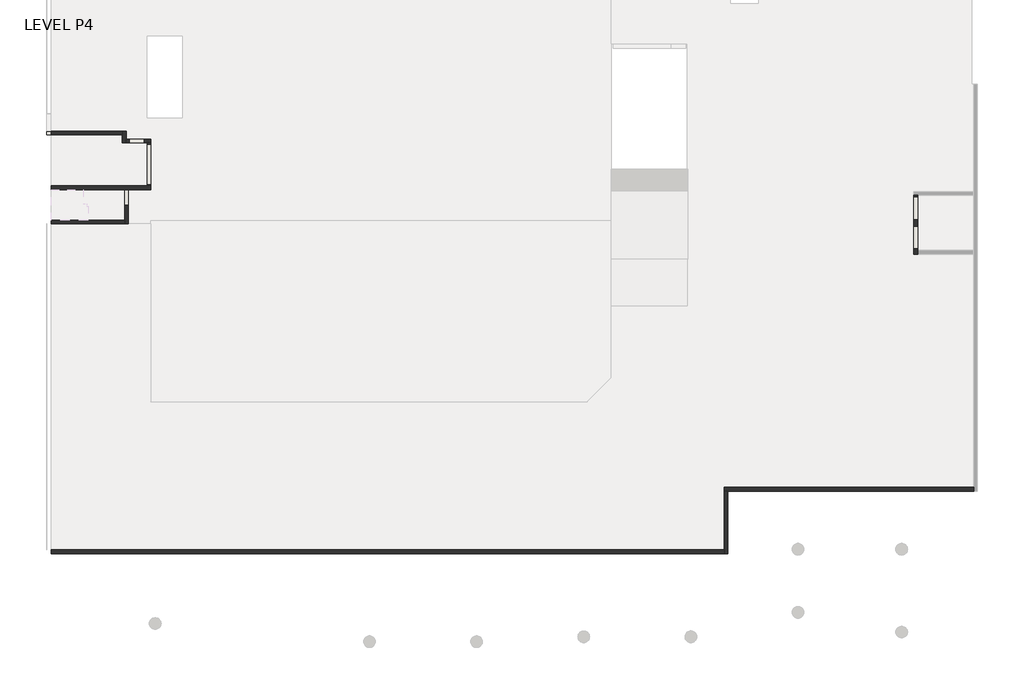
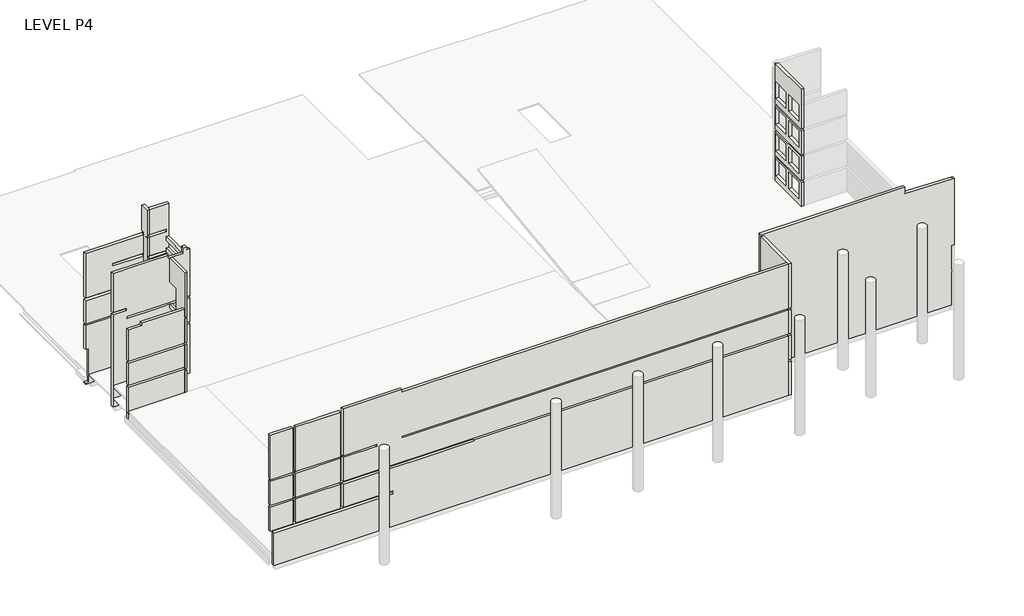
# One storey, part 1 of 4: 11 walls.
"""IFC4 building model written with IfcOpenShell, lengths in millimetres."""

from ifc_helpers import new_model, si_unit, origin, place, context, project, spatial, faceted_brep, element, save

model = new_model("IFC4")

# Units and contexts
model_context = context("Model", 3, world=origin())
ifc_project = project(units=[si_unit("LENGTHUNIT", "METRE", prefix="MILLI")], contexts=[model_context])

# Site, building, storey
site = spatial("IfcSite", under=ifc_project)
building = spatial("IfcBuilding", under=site)
storey = spatial("IfcBuildingStorey", under=building, Name="LEVEL P4", Elevation=-13800.0)

# Walls
placement = place(None, origin())
element("IfcWall", 1, ObjectType="250 WALL", at=placement, inside=storey, context=model_context, shape_type="Brep", body=[
    faceted_brep([(184401.1489175, 183257.2325529, -14750.0), (184401.1489175, 185907.2325529, -14750.0), (184401.1489175, 185907.2325529, -13800.0), (184401.1489175, 184707.2325529, -13800.0), (184401.1489175, 184707.2325529, -11600.0), (184401.1489175, 185907.2325529, -11600.0), (184401.1489175, 185907.2325529, -11200.0), (184401.1489175, 183257.2325529, -11200.0), (184151.1489175, 185907.2325529, -14750.0), (184151.1489175, 183507.2325529, -14750.0), (184151.1489175, 183257.2325529, -14750.0), (184151.1489175, 183257.2325529, -11200.0), (184151.1489175, 185907.2325529, -11200.0), (184151.1489175, 185907.2325529, -11600.0), (184151.1489175, 184707.2325529, -11600.0), (184151.1489175, 184707.2325529, -13800.0), (184151.1489175, 185907.2325529, -13800.0)], [[[0, 1, 2, 3, 4, 5, 6, 7]], [[8, 9, 10, 11, 12, 13, 14, 15, 16]], [[1, 0, 10, 9, 8]], [[1, 8, 16, 2]], [[5, 13, 12, 6]], [[3, 2, 16, 15]], [[4, 3, 15, 14]], [[5, 4, 14, 13]], [[7, 6, 12, 11]], [[10, 0, 7, 11]]]),
    faceted_brep([(184401.1489175, 184707.2325529, -5400.0), (184401.1489175, 184707.2325529, -3200.0), (184401.1489175, 185907.2325529, -3200.0), (184401.1489175, 185907.2325529, -600.0), (184401.1489175, 183507.2325529, -600.0), (184401.1489175, 183257.2325529, -600.0), (184401.1489175, 183257.2325529, -5400.0), (184401.1489175, 183507.2325529, -5400.0), (184151.1489175, 184707.2325529, -3200.0), (184151.1489175, 184707.2325529, -5400.0), (184151.1489175, 183257.2325529, -5400.0), (184151.1489175, 183257.2325529, -4500.0), (184151.1489175, 183257.2325529, -600.0), (184151.1489175, 185907.2325529, -600.0), (184151.1489175, 185907.2325529, -3200.0)], [[[0, 1, 2, 3, 4, 5, 6, 7]], [[8, 9, 10, 11, 12, 13, 14]], [[2, 14, 13, 3]], [[1, 0, 9, 8]], [[2, 1, 8, 14]], [[0, 7, 6, 10, 9]], [[5, 4, 3, 13, 12]], [[10, 6, 5, 12, 11]]]),
    faceted_brep([(184401.1489175, 184707.2325529, -8200.0), (184401.1489175, 184707.2325529, -6000.0), (184401.1489175, 185907.2325529, -6000.0), (184401.1489175, 185907.2325529, -5600.0), (184401.1489175, 183257.2325529, -5600.0), (184401.1489175, 183257.2325529, -8200.0), (184151.1489175, 184707.2325529, -6000.0), (184151.1489175, 184707.2325529, -8200.0), (184151.1489175, 183507.2325529, -8200.0), (184151.1489175, 183257.2325529, -8200.0), (184151.1489175, 183257.2325529, -5600.0), (184151.1489175, 185907.2325529, -5600.0), (184151.1489175, 185907.2325529, -6000.0)], [[[0, 1, 2, 3, 4, 5]], [[6, 7, 8, 9, 10, 11, 12]], [[2, 12, 11, 3]], [[1, 0, 7, 6]], [[2, 1, 6, 12]], [[0, 5, 9, 8, 7]], [[4, 3, 11, 10]], [[5, 4, 10, 9]]]),
    faceted_brep([(184401.1489175, 184707.2325529, -11000.0), (184401.1489175, 184707.2325529, -8800.0), (184401.1489175, 185907.2325529, -8800.0), (184401.1489175, 185907.2325529, -8400.0), (184401.1489175, 183257.2325529, -8400.0), (184401.1489175, 183257.2325529, -11000.0), (184151.1489175, 184707.2325529, -8800.0), (184151.1489175, 184707.2325529, -11000.0), (184151.1489175, 183257.2325529, -11000.0), (184151.1489175, 183257.2325529, -10800.0), (184151.1489175, 183257.2325529, -8400.0), (184151.1489175, 183507.2325529, -8400.0), (184151.1489175, 185907.2325529, -8400.0), (184151.1489175, 185907.2325529, -8800.0)], [[[0, 1, 2, 3, 4, 5]], [[6, 7, 8, 9, 10, 11, 12, 13]], [[2, 13, 12, 3]], [[1, 0, 7, 6]], [[2, 1, 6, 13]], [[0, 5, 8, 7]], [[4, 3, 12, 11, 10]], [[5, 4, 10, 9, 8]]]),
])
element("IfcWall", 2, ObjectType="250 WALL", at=placement, inside=storey, context=model_context, shape_type="Brep", body=[
    faceted_brep([(178361.1491693, 183257.2325529, -14750.0), (184151.1489175, 183257.2325529, -14750.0), (184151.1489175, 183257.2325529, -11200.0), (184151.1489175, 183257.2325529, -11000.0), (178361.1491693, 183257.2325529, -11000.0), (184151.1489175, 183507.2325529, -14750.0), (178361.1491693, 183507.2325529, -14750.0), (178361.1491693, 183507.2325529, -11000.0), (184151.1489175, 183507.2325529, -11000.0)], [[[0, 1, 2, 3, 4]], [[5, 6, 7, 8]], [[1, 0, 6, 5]], [[1, 5, 8, 3, 2]], [[6, 0, 4, 7]], [[4, 3, 8, 7]]]),
    faceted_brep([(184151.1489175, 183257.2325529, -8400.0), (178361.1491693, 183257.2325529, -8400.0), (178361.1491693, 183257.2325529, -10800.0), (184151.1489175, 183257.2325529, -10800.0), (178361.1491693, 183507.2325529, -8400.0), (182946.3204833, 183507.2325529, -8400.0), (184151.1489175, 183507.2325529, -8400.0), (184151.1489175, 183507.2325529, -10800.0), (178361.1491693, 183507.2325529, -10800.0)], [[[0, 1, 2, 3]], [[4, 5, 6, 7, 8]], [[6, 0, 3, 7]], [[1, 4, 8, 2]], [[1, 0, 6, 5, 4]], [[3, 2, 8, 7]]]),
    faceted_brep([(184151.1489175, 183257.2325529, -8200.0), (184151.1489175, 183257.2325529, -5600.0), (184151.1489175, 183257.2325529, -5400.0), (184151.1489175, 183257.2325529, -4500.0), (183084.3204833, 183257.2325529, -4500.0), (179761.3204833, 183257.2325529, -4500.0), (179761.3204833, 183257.2325529, -4775.0), (178361.1491693, 183257.2325529, -4775.0), (178361.1491693, 183257.2325529, -8200.0), (184151.1489175, 183507.2325529, -4500.0), (184151.1489175, 183507.2325529, -8200.0), (182946.3204833, 183507.2325529, -8200.0), (178361.1491693, 183507.2325529, -8200.0), (178361.1491693, 183507.2325529, -4775.0), (179461.3204833, 183507.2325529, -4775.0), (179761.3204833, 183507.2325529, -4775.0), (179761.3204833, 183507.2325529, -4500.0)], [[[0, 1, 2, 3, 4, 5, 6, 7, 8]], [[9, 10, 11, 12, 13, 14, 15, 16]], [[3, 9, 16, 5, 4]], [[9, 3, 2, 1, 0, 10]], [[12, 8, 7, 13]], [[0, 8, 12, 11, 10]], [[6, 15, 14, 13, 7]], [[15, 6, 5, 16]]]),
])
element("IfcWall", 3, ObjectType="300 WALL", at=placement, inside=storey, context=model_context, shape_type="Brep", body=[
    faceted_brep([(246311.1491692, 180863.2322067, -14750.0), (246311.1491692, 181163.2322067, -14750.0), (246311.1491692, 185463.2318341, -14750.0), (246311.1491692, 185463.2318341, -11000.0), (246311.1491692, 181163.2322067, -11000.0), (246311.1491692, 180863.2322067, -11000.0), (246311.1491692, 185363.2318341, -11200.0), (246311.1491692, 185363.2318341, -12974.2336805), (246311.1491692, 183563.2318341, -12974.2336805), (246311.1491692, 183563.2318341, -11200.0), (246311.1491692, 183063.2322067, -11200.0), (246311.1491692, 183063.2322067, -12974.2336805), (246311.1491692, 181263.2322067, -12974.2336805), (246311.1491692, 181263.2322067, -11200.0), (246011.1491692, 185463.2318341, -14750.0), (246011.1491692, 180863.2322067, -14750.0), (246011.1491692, 180863.2322067, -11000.0), (246011.1491692, 185463.2318341, -11000.0), (246011.1491692, 185363.2318341, -12974.2336805), (246011.1491692, 185363.2318341, -11200.0), (246011.1491692, 183563.2318341, -11200.0), (246011.1491692, 183563.2318341, -12974.2336805), (246011.1491692, 183063.2322067, -12974.2336805), (246011.1491692, 183063.2322067, -11200.0), (246011.1491692, 181263.2322067, -11200.0), (246011.1491692, 181263.2322067, -12974.2336805)], [[[0, 1, 2, 3, 4, 5], [6, 7, 8, 9], [10, 11, 12, 13]], [[14, 15, 16, 17], [18, 19, 20, 21], [22, 23, 24, 25]], [[2, 1, 0, 15, 14]], [[2, 14, 17, 3]], [[15, 0, 5, 16]], [[7, 6, 19, 18]], [[8, 7, 18, 21]], [[9, 8, 21, 20]], [[6, 9, 20, 19]], [[11, 10, 23, 22]], [[12, 11, 22, 25]], [[13, 12, 25, 24]], [[10, 13, 24, 23]], [[4, 3, 17, 16, 5]]]),
    faceted_brep([(246311.1491692, 185463.2318341, -861.7003473), (246311.1491692, 180863.2322067, -861.7003473), (246311.1491692, 180863.2322067, -900.0), (246311.1491692, 180863.2322067, -2643.5714289), (246311.1491692, 180863.2322067, -5200.0), (246311.1491692, 181163.2322067, -5200.0), (246311.1491692, 185463.2318341, -5200.0), (246311.1491692, 183058.4322067, -2804.8), (246311.1491692, 183058.4322067, -4579.0336805), (246311.1491692, 181258.4322067, -4579.0336805), (246311.1491692, 181258.4322067, -2804.8), (246311.1491692, 185358.4318341, -2804.8), (246311.1491692, 185358.4318341, -4579.0336805), (246311.1491692, 183558.4318341, -4579.0336805), (246311.1491692, 183558.4318341, -2804.8), (246011.1491692, 180863.2322067, -852.8657922), (246011.1491692, 185238.2314614, -852.8657922), (246011.1491692, 185463.2318341, -852.8657922), (246011.1491692, 185463.2318341, -5200.0), (246011.1491692, 180863.2322067, -5200.0), (246011.1491692, 180863.2322067, -900.0), (246011.1491692, 183058.4322067, -4579.0336805), (246011.1491692, 183058.4322067, -2804.8), (246011.1491692, 181258.4322067, -2804.8), (246011.1491692, 181258.4322067, -4579.0336805), (246011.1491692, 185358.4318341, -4579.0336805), (246011.1491692, 185358.4318341, -2804.8), (246011.1491692, 183558.4318341, -2804.8), (246011.1491692, 183558.4318341, -4579.0336805)], [[[0, 1, 2, 3, 4, 5, 6], [7, 8, 9, 10], [11, 12, 13, 14]], [[15, 16, 17, 18, 19, 20], [21, 22, 23, 24], [25, 26, 27, 28]], [[17, 0, 6, 18]], [[1, 15, 20, 19, 4, 3, 2]], [[7, 22, 21, 8]], [[24, 9, 8, 21]], [[23, 10, 9, 24]], [[22, 7, 10, 23]], [[25, 12, 11, 26]], [[12, 25, 28, 13]], [[27, 14, 13, 28]], [[26, 11, 14, 27]], [[1, 0, 17, 16, 15]], [[5, 4, 19, 18, 6]]]),
    faceted_brep([(246311.1491692, 185463.2318341, -8200.0), (246311.1491692, 181163.2322067, -8200.0), (246311.1491692, 180863.2322067, -8200.0), (246311.1491692, 180863.2322067, -10800.0), (246311.1491692, 181163.2322067, -10800.0), (246311.1491692, 185463.2318341, -10800.0), (246311.1491692, 183063.2322067, -8473.1304348), (246311.1491692, 183063.2322067, -10247.3641153), (246311.1491692, 181263.2322067, -10247.3641153), (246311.1491692, 181263.2322067, -8473.1304348), (246311.1491692, 185363.2318341, -8473.1304348), (246311.1491692, 185363.2318341, -10247.3641153), (246311.1491692, 183563.2318341, -10247.3641153), (246311.1491692, 183563.2318341, -8473.1304348), (246011.1491692, 180863.2322067, -8200.0), (246011.1491692, 185463.2318341, -8200.0), (246011.1491692, 185463.2318341, -10800.0), (246011.1491692, 180863.2322067, -10800.0), (246011.1491692, 183063.2322067, -10247.3641153), (246011.1491692, 183063.2322067, -8473.1304348), (246011.1491692, 181263.2322067, -8473.1304348), (246011.1491692, 181263.2322067, -10247.3641153), (246011.1491692, 185363.2318341, -10247.3641153), (246011.1491692, 185363.2318341, -8473.1304348), (246011.1491692, 183563.2318341, -8473.1304348), (246011.1491692, 183563.2318341, -10247.3641153)], [[[0, 1, 2, 3, 4, 5], [6, 7, 8, 9], [10, 11, 12, 13]], [[14, 15, 16, 17], [18, 19, 20, 21], [22, 23, 24, 25]], [[15, 0, 5, 16]], [[2, 14, 17, 3]], [[7, 6, 19, 18]], [[8, 7, 18, 21]], [[9, 8, 21, 20]], [[6, 9, 20, 19]], [[11, 10, 23, 22]], [[12, 11, 22, 25]], [[13, 12, 25, 24]], [[10, 13, 24, 23]], [[1, 0, 15, 14, 2]], [[5, 4, 3, 17, 16]]]),
    faceted_brep([(246311.1491692, 181163.2322067, -8000.0), (246311.1491692, 185463.2318341, -8000.0), (246311.1491692, 185463.2318341, -5400.0), (246311.1491692, 181163.2322067, -5400.0), (246311.1491692, 180863.2322067, -5400.0), (246311.1491692, 180863.2322067, -8000.0), (246311.1491692, 183063.2322067, -5600.0), (246311.1491692, 183063.2322067, -7374.2336805), (246311.1491692, 181263.2322067, -7374.2336805), (246311.1491692, 181263.2322067, -5600.0), (246311.1491692, 185363.2318341, -5600.0), (246311.1491692, 185363.2318341, -7374.2336805), (246311.1491692, 183563.2318341, -7374.2336805), (246311.1491692, 183563.2318341, -5600.0), (246011.1491692, 185463.2318341, -8000.0), (246011.1491692, 180863.2322067, -8000.0), (246011.1491692, 180863.2322067, -5400.0), (246011.1491692, 185463.2318341, -5400.0), (246011.1491692, 183063.2322067, -7374.2336805), (246011.1491692, 183063.2322067, -5600.0), (246011.1491692, 181263.2322067, -5600.0), (246011.1491692, 181263.2322067, -7374.2336805), (246011.1491692, 185363.2318341, -7374.2336805), (246011.1491692, 185363.2318341, -5600.0), (246011.1491692, 183563.2318341, -5600.0), (246011.1491692, 183563.2318341, -7374.2336805)], [[[0, 1, 2, 3, 4, 5], [6, 7, 8, 9], [10, 11, 12, 13]], [[14, 15, 16, 17], [18, 19, 20, 21], [22, 23, 24, 25]], [[1, 14, 17, 2]], [[15, 5, 4, 16]], [[7, 6, 19, 18]], [[8, 7, 18, 21]], [[9, 8, 21, 20]], [[6, 9, 20, 19]], [[11, 10, 23, 22]], [[12, 11, 22, 25]], [[13, 12, 25, 24]], [[10, 13, 24, 23]], [[1, 0, 5, 15, 14]], [[4, 3, 2, 17, 16]]]),
])
element("IfcWall", 4, ObjectType="300 WALL", at=placement, inside=storey, context=model_context, shape_type="Brep", body=[
    faceted_brep([(178011.1491693, 190207.2325529, -14750.0), (183956.1489175, 190207.2325529, -14750.0), (183956.1489175, 190207.2325529, -8400.0), (178011.1491693, 190207.2325529, -8400.0), (178011.1491693, 190207.2325529, -11000.0), (178361.1491693, 190207.2325529, -11000.0), (178361.1491693, 190207.2325529, -14650.0), (178011.1491693, 190207.2325529, -14650.0), (183956.1489175, 190507.2325529, -14750.0), (178011.1491693, 190507.2325529, -14750.0), (178011.1491693, 190507.2325529, -14650.0), (178361.1491693, 190507.2325529, -14650.0), (178361.1491693, 190507.2325529, -11000.0), (178011.1491693, 190507.2325529, -11000.0), (178011.1491693, 190507.2325529, -8400.0), (183956.1489175, 190507.2325529, -8400.0)], [[[0, 1, 2, 3, 4, 5, 6, 7]], [[8, 9, 10, 11, 12, 13, 14, 15]], [[1, 0, 9, 8]], [[9, 0, 7, 10]], [[13, 4, 3, 14]], [[5, 12, 11, 6]], [[1, 8, 15, 2]], [[12, 5, 4, 13]], [[6, 11, 10, 7]], [[3, 2, 15, 14]]]),
    faceted_brep([(178011.1491693, 190207.2325529, -5400.0), (183956.1489175, 190207.2325529, -5400.0), (183956.1489175, 190207.2325529, -2900.0), (180770.5317503, 190207.2325529, -2900.0), (180770.5317503, 190207.2325529, -2600.0), (183956.1489175, 190207.2325529, -2600.0), (183956.1489175, 190207.2325529, -560.0), (178011.1491693, 190207.2325529, -560.0), (183956.1489175, 190507.2325529, -5400.0), (181070.5317503, 190507.2325529, -5400.0), (180770.5317503, 190507.2325529, -5400.0), (178011.1491693, 190507.2325529, -5400.0), (178011.1491693, 190507.2325529, -560.0), (180770.5317503, 190507.2325529, -560.0), (181070.5317503, 190507.2325529, -560.0), (183956.1489175, 190507.2325529, -560.0), (183956.1489175, 190507.2325529, -2600.0), (181070.5317503, 190507.2325529, -2600.0), (180770.5317503, 190507.2325529, -2600.0), (180770.5317503, 190507.2325529, -2900.0), (181070.5317503, 190507.2325529, -2900.0), (183956.1489175, 190507.2325529, -2900.0)], [[[0, 1, 2, 3, 4, 5, 6, 7]], [[8, 9, 10, 11, 12, 13, 14, 15, 16, 17, 18, 19, 20, 21]], [[11, 0, 7, 12]], [[1, 8, 21, 2]], [[5, 16, 15, 6]], [[1, 0, 11, 10, 9, 8]], [[19, 3, 2, 21, 20]], [[4, 18, 17, 16, 5]], [[3, 19, 18, 4]], [[7, 6, 15, 14, 13, 12]]]),
    faceted_brep([(183956.1489175, 190207.2325529, -5700.0), (178011.1491693, 190207.2325529, -5700.0), (178011.1491693, 190207.2325529, -8200.0), (183956.1489175, 190207.2325529, -8200.0), (178011.1491693, 190507.2325529, -5700.0), (183956.1489175, 190507.2325529, -5700.0), (183956.1489175, 190507.2325529, -8200.0), (178011.1491693, 190507.2325529, -8200.0)], [[[0, 1, 2, 3]], [[4, 5, 6, 7]], [[1, 4, 7, 2]], [[5, 0, 3, 6]], [[1, 0, 5, 4]], [[3, 2, 7, 6]]]),
])
element("IfcWall", 5, ObjectType="300 WALL", at=placement, inside=storey, context=model_context, shape_type="Brep", body=[
    faceted_brep([(231136.3204833, 162263.2318341, -14650.0), (231436.3204833, 162263.2318341, -14650.0), (250561.1491692, 162263.2318341, -14650.0), (250711.1491692, 162263.2318341, -14650.0), (250711.1491692, 162263.2318341, -11000.0), (250711.1491692, 162263.2318341, -10800.0), (250711.1491692, 162263.2318341, -8200.0), (251011.1491692, 162263.2318341, -8200.0), (251011.1491692, 162263.2318341, -1000.1083784), (250861.1491692, 162263.2318341, -995.6911008), (245919.514106, 162263.2318341, -863.5386081), (245919.514106, 162263.2318341, -850.1672754), (245919.514106, 162263.2318341, -600.058897), (245919.514106, 162263.2318341, -200.0), (231136.3204833, 162263.2318341, -200.0), (231136.3204833, 162263.2318341, -380.0), (231136.3204833, 162263.2318341, -5200.0), (231136.3204833, 162263.2318341, -5400.0), (231136.3204833, 162263.2318341, -8000.0), (231136.3204833, 162263.2318341, -8200.0), (231136.3204833, 162263.2318341, -10800.0), (231136.3204833, 162263.2318341, -11000.0), (250711.1491692, 162563.2318341, -14650.0), (250561.1491692, 162563.2318341, -14650.0), (231136.3204833, 162563.2318341, -14650.0), (231136.3204833, 162563.2318341, -1230.0), (231136.3204833, 162563.2318341, -380.0), (231136.3204833, 162563.2318341, -200.0), (245919.514106, 162563.2318341, -200.0), (245919.514106, 162563.2318341, -380.0), (245919.514106, 162563.2318341, -600.058897), (245919.514106, 162563.2318341, -850.0), (245919.514106, 162563.2318341, -850.1672754), (245919.514106, 162563.2318341, -863.5386081), (250861.1491692, 162563.2318341, -995.6911008), (251011.1491692, 162563.2318341, -1000.1083784), (251011.1491692, 162563.2318341, -5200.0), (251011.1491692, 162563.2318341, -5400.0), (251011.1491692, 162563.2318341, -8000.0), (251011.1491692, 162563.2318341, -8200.0), (250711.1491692, 162563.2318341, -8200.0)], [[[0, 1, 2, 3, 4, 5, 6, 7, 8, 9, 10, 11, 12, 13, 14, 15, 16, 17, 18, 19, 20, 21]], [[22, 23, 24, 25, 26, 27, 28, 29, 30, 31, 32, 33, 34, 35, 36, 37, 38, 39, 40]], [[0, 21, 20, 19, 18, 17, 16, 15, 14, 27, 26, 25, 24]], [[6, 5, 4, 3, 22, 40]], [[7, 39, 38, 37, 36, 35, 8]], [[9, 8, 35, 34]], [[3, 2, 1, 0, 24, 23, 22]], [[14, 13, 28, 27]], [[33, 10, 9, 34]], [[7, 6, 40, 39]], [[10, 33, 32, 31, 30, 29, 28, 13, 12, 11]]]),
])
element("IfcWall", 6, ObjectType="300 WALL", at=placement, inside=storey, context=model_context, shape_type="Brep", body=[
    faceted_brep([(183956.1489175, 190507.2325529, -14750.0), (183956.1489175, 190207.2325529, -14750.0), (183956.1489175, 189578.8314181, -14750.0), (183956.1489175, 189578.8314181, 2420.0), (183956.1489175, 190507.2325529, 2420.0), (183956.1489175, 190507.2325529, -310.0), (183956.1489175, 190207.2325529, -310.0), (183956.1489175, 190207.2325529, -560.0), (183956.1489175, 190507.2325529, -560.0), (183956.1489175, 190507.2325529, -2600.0), (183956.1489175, 190207.2325529, -2600.0), (183956.1489175, 190207.2325529, -2900.0), (183956.1489175, 190507.2325529, -2900.0), (183956.1489175, 190507.2325529, -5400.0), (183956.1489175, 190207.2325529, -5400.0), (183956.1489175, 190207.2325529, -5700.0), (183956.1489175, 190507.2325529, -5700.0), (183956.1489175, 190507.2325529, -8200.0), (183956.1489175, 190207.2325529, -8200.0), (183956.1489175, 190207.2325529, -8400.0), (183956.1489175, 190507.2325529, -8400.0), (184256.1489175, 190507.2325529, 2420.0), (184256.1489175, 189878.8314181, 2420.0), (184256.1489175, 189578.8314181, 2420.0), (184256.1489175, 189578.8314181, -310.0), (184256.1489175, 189878.8314181, -310.0), (184256.1489175, 190507.2325529, -310.0), (184256.1489175, 189578.8314181, -14750.0), (184256.1489175, 189878.8314181, -14750.0), (184256.1489175, 190507.2325529, -14750.0), (184256.1489175, 190507.2325529, -8400.0), (184256.1489175, 189878.8314181, -8400.0), (184256.1489175, 189578.8314181, -8400.0), (184256.1489175, 190507.2325529, -2900.0), (184256.1489175, 189878.8314181, -2900.0), (184256.1489175, 189578.8314181, -2900.0), (184256.1489175, 189578.8314181, -5400.0), (184256.1489175, 189878.8314181, -5400.0), (184256.1489175, 190507.2325529, -5400.0), (184256.1489175, 189578.8314181, -2600.0), (184256.1489175, 189878.8314181, -2600.0), (184256.1489175, 190507.2325529, -2600.0), (184256.1489175, 190507.2325529, -560.0), (184256.1489175, 189878.8314181, -560.0), (184256.1489175, 189578.8314181, -560.0), (184256.1489175, 190507.2325529, -5700.0), (184256.1489175, 189878.8314181, -5700.0), (184256.1489175, 189578.8314181, -5700.0), (184256.1489175, 189578.8314181, -8200.0), (184256.1489175, 189878.8314181, -8200.0), (184256.1489175, 190507.2325529, -8200.0), (183961.3204833, 189578.8314181, -8400.0), (183961.3204833, 189578.8314181, -8200.0), (183961.3204833, 189578.8314181, -5700.0), (183961.3204833, 189578.8314181, -5400.0), (183961.3204833, 189578.8314181, -2900.0), (183961.3204833, 189578.8314181, -2600.0), (183961.3204833, 189578.8314181, -560.0), (183961.3204833, 189578.8314181, -310.0), (183961.3204833, 190207.2325529, -2900.0), (183961.3204833, 190207.2325529, -2600.0), (183961.3204833, 190207.2325529, -560.0), (183961.3204833, 190207.2325529, -310.0), (183961.3204833, 190207.2325529, -5700.0), (183961.3204833, 190207.2325529, -5400.0), (183961.3204833, 190207.2325529, -8400.0), (183961.3204833, 190207.2325529, -8200.0)], [[[0, 1, 2, 3, 4, 5, 6, 7, 8, 9, 10, 11, 12, 13, 14, 15, 16, 17, 18, 19, 20]], [[21, 22, 23, 24, 25, 26]], [[27, 28, 29, 30, 31, 32]], [[33, 34, 35, 36, 37, 38]], [[39, 40, 41, 42, 43, 44]], [[45, 46, 47, 48, 49, 50]], [[2, 1, 0, 29, 28, 27]], [[4, 3, 23, 22, 21]], [[3, 2, 27, 32, 51, 52, 48, 47, 53, 54, 36, 35, 55, 56, 39, 44, 57, 58, 24, 23]], [[4, 21, 26, 5]], [[29, 0, 20, 30]], [[12, 33, 38, 13]], [[41, 9, 8, 42]], [[16, 45, 50, 17]], [[59, 55, 35, 34, 33, 12, 11]], [[56, 60, 10, 9, 41, 40, 39]], [[60, 59, 11, 10]], [[55, 59, 60, 56]], [[61, 57, 44, 43, 42, 8, 7]], [[58, 62, 6, 5, 26, 25, 24]], [[62, 61, 7, 6]], [[57, 61, 62, 58]], [[63, 53, 47, 46, 45, 16, 15]], [[54, 64, 14, 13, 38, 37, 36]], [[64, 63, 15, 14]], [[53, 63, 64, 54]], [[65, 51, 32, 31, 30, 20, 19]], [[52, 66, 18, 17, 50, 49, 48]], [[66, 65, 19, 18]], [[51, 65, 66, 52]]]),
])
element("IfcWall", 7, ObjectType="300 WALL", at=placement, inside=storey, context=model_context, shape_type="Brep", body=[
    faceted_brep([(184256.1489175, 189578.8314181, -14750.0), (185901.1489175, 189578.8314181, -14750.0), (186201.1489175, 189578.8314181, -14750.0), (186201.1489175, 189578.8314181, -8400.0), (185901.1489175, 189578.8314181, -8400.0), (184256.1489175, 189578.8314181, -8400.0), (185678.6489175, 189578.8314181, -11600.0), (185678.6489175, 189578.8314181, -13800.0), (184478.6489175, 189578.8314181, -13800.0), (184478.6489175, 189578.8314181, -11600.0), (186201.1489175, 189878.8314181, -14750.0), (184256.1489175, 189878.8314181, -14750.0), (184256.1489175, 189878.8314181, -8400.0), (186201.1489175, 189878.8314181, -8400.0), (185678.6489175, 189878.8314181, -13800.0), (185678.6489175, 189878.8314181, -11600.0), (184478.6489175, 189878.8314181, -11600.0), (184478.6489175, 189878.8314181, -13800.0)], [[[0, 1, 2, 3, 4, 5], [6, 7, 8, 9]], [[10, 11, 12, 13], [14, 15, 16, 17]], [[2, 1, 0, 11, 10]], [[11, 0, 5, 12]], [[4, 3, 13, 12, 5]], [[7, 6, 15, 14]], [[8, 7, 14, 17]], [[9, 8, 17, 16]], [[6, 9, 16, 15]], [[2, 10, 13, 3]]]),
    faceted_brep([(186201.1489175, 189578.8314181, 2420.0), (185901.1489175, 189578.8314181, 2420.0), (184256.1489175, 189578.8314181, 2420.0), (184256.1489175, 189578.8314181, -310.0), (185901.1489175, 189578.8314181, -310.0), (185901.1489175, 189578.8314181, -560.0), (184256.1489175, 189578.8314181, -560.0), (184256.1489175, 189578.8314181, -2600.0), (185901.1489175, 189578.8314181, -2600.0), (186201.1489175, 189578.8314181, -2600.0), (186201.1489175, 189578.8314181, -260.0), (184256.1489175, 189878.8314181, 2420.0), (186201.1489175, 189878.8314181, 2420.0), (186201.1489175, 189878.8314181, -1110.0), (186201.1489175, 189878.8314181, -1550.0), (186201.1489175, 189878.8314181, -2350.0), (186201.1489175, 189878.8314181, -2600.0), (185901.1489175, 189878.8314181, -2600.0), (184256.1489175, 189878.8314181, -2600.0), (184256.1489175, 189878.8314181, -560.0), (185901.1489175, 189878.8314181, -560.0), (185901.1489175, 189878.8314181, -310.0), (184256.1489175, 189878.8314181, -310.0)], [[[0, 1, 2, 3, 4, 5, 6, 7, 8, 9, 10]], [[11, 12, 13, 14, 15, 16, 17, 18, 19, 20, 21, 22]], [[2, 1, 0, 12, 11]], [[2, 11, 22, 3]], [[6, 19, 18, 7]], [[5, 20, 19, 6]], [[21, 4, 3, 22]], [[20, 5, 4, 21]], [[8, 7, 18, 17, 16, 9]], [[12, 0, 10, 9, 16, 15, 14, 13]]]),
    faceted_brep([(185901.1489175, 189578.8314181, -8200.0), (186201.1489175, 189578.8314181, -8200.0), (186201.1489175, 189578.8314181, -5700.0), (185901.1489175, 189578.8314181, -5700.0), (184256.1489175, 189578.8314181, -5700.0), (184256.1489175, 189578.8314181, -8200.0), (186201.1489175, 189878.8314181, -8200.0), (184256.1489175, 189878.8314181, -8200.0), (184256.1489175, 189878.8314181, -5700.0), (186201.1489175, 189878.8314181, -5700.0)], [[[0, 1, 2, 3, 4, 5]], [[6, 7, 8, 9]], [[7, 5, 4, 8]], [[1, 0, 5, 7, 6]], [[4, 3, 2, 9, 8]], [[1, 6, 9, 2]]]),
    faceted_brep([(184256.1489175, 189578.8314181, -5400.0), (185901.1489175, 189578.8314181, -5400.0), (186201.1489175, 189578.8314181, -5400.0), (186201.1489175, 189578.8314181, -2900.0), (185901.1489175, 189578.8314181, -2900.0), (184256.1489175, 189578.8314181, -2900.0), (186201.1489175, 189878.8314181, -5400.0), (184256.1489175, 189878.8314181, -5400.0), (184256.1489175, 189878.8314181, -2900.0), (186201.1489175, 189878.8314181, -2900.0)], [[[0, 1, 2, 3, 4, 5]], [[6, 7, 8, 9]], [[7, 0, 5, 8]], [[1, 0, 7, 6, 2]], [[5, 4, 3, 9, 8]], [[2, 6, 9, 3]]]),
])
element("IfcWall", 8, ObjectType="300 WALL", at=placement, inside=storey, context=model_context, shape_type="Brep", body=[
    faceted_brep([(186201.1489175, 186207.2325529, -14750.0), (185901.1489175, 186207.2325529, -14750.0), (178361.1491693, 186207.2325529, -14750.0), (178361.1491693, 186207.2325529, -4775.0), (179761.3204833, 186207.2325529, -4775.0), (179761.3204833, 186207.2325529, -4500.0), (178361.1491693, 186207.2325529, -4500.0), (178361.1491693, 186207.2325529, -250.0), (183956.1489175, 186207.2325529, -250.0), (183956.1489175, 186207.2325529, -600.0), (185576.1489175, 186207.2325529, -600.0), (185576.1489175, 186207.2325529, 0.0), (185901.1489175, 186207.2325529, 0.0), (185901.1489175, 186207.2325529, -1110.0), (186201.1489175, 186207.2325529, -1110.0), (186201.1489175, 186207.2325529, -1550.0), (185901.1489175, 186207.2325529, -1550.0), (185901.1489175, 186207.2325529, -2350.0), (186201.1489175, 186207.2325529, -2350.0), (186201.1489175, 186207.2325529, -5400.0), (185901.1489175, 186207.2325529, -5400.0), (179761.3204833, 186207.2325529, -5400.0), (179761.3204833, 186207.2325529, -5600.0), (185901.1489175, 186207.2325529, -5600.0), (186201.1489175, 186207.2325529, -5600.0), (186201.1489175, 186207.2325529, -8200.0), (185901.1489175, 186207.2325529, -8200.0), (182771.1489175, 186207.2325529, -8200.0), (182771.1489175, 186207.2325529, -8400.0), (185901.1489175, 186207.2325529, -8400.0), (186201.1489175, 186207.2325529, -8400.0), (178361.1491693, 185907.2325529, -14750.0), (184151.1489175, 185907.2325529, -14750.0), (184401.1489175, 185907.2325529, -14750.0), (186201.1489175, 185907.2325529, -14750.0), (186201.1489175, 185907.2325529, -8400.0), (184401.1489175, 185907.2325529, -8400.0), (184151.1489175, 185907.2325529, -8400.0), (182771.1489175, 185907.2325529, -8400.0), (182771.1489175, 185907.2325529, -8200.0), (186201.1489175, 185907.2325529, -8200.0), (186201.1489175, 185907.2325529, -5600.0), (184401.1489175, 185907.2325529, -5600.0), (184151.1489175, 185907.2325529, -5600.0), (182566.3204833, 185907.2325529, -5600.0), (179761.3204833, 185907.2325529, -5600.0), (179761.3204833, 185907.2325529, -5400.0), (182566.3204833, 185907.2325529, -5400.0), (186201.1489175, 185907.2325529, -5400.0), (186201.1489175, 185907.2325529, -260.0), (185901.1489175, 185907.2325529, -260.0), (185901.1489175, 185907.2325529, 0.0), (185576.1489175, 185907.2325529, 0.0), (185576.1489175, 185907.2325529, -600.0), (184401.1489175, 185907.2325529, -600.0), (184151.1489175, 185907.2325529, -600.0), (183956.1489175, 185907.2325529, -600.0), (183956.1489175, 185907.2325529, -250.0), (182391.3204833, 185907.2325529, -250.0), (179761.3204833, 185907.2325529, -250.0), (178361.1491693, 185907.2325529, -250.0), (178361.1491693, 185907.2325529, -4500.0), (179461.3204833, 185907.2325529, -4500.0), (179761.3204833, 185907.2325529, -4500.0), (179761.3204833, 185907.2325529, -4775.0), (179461.3204833, 185907.2325529, -4775.0), (178361.1491693, 185907.2325529, -4775.0), (185901.1489175, 186063.2322067, -2350.0), (186201.1489175, 186063.2322067, -2350.0), (185901.1489175, 186063.2322067, -1550.0), (186201.1489175, 186063.2322067, -1550.0), (185901.1489175, 186013.2322067, -1110.0), (186201.1489175, 186013.2322067, -1110.0), (185901.1489175, 186013.2322067, -260.0), (186201.1489175, 186013.2322067, -260.0)], [[[0, 1, 2, 3, 4, 5, 6, 7, 8, 9, 10, 11, 12, 13, 14, 15, 16, 17, 18, 19, 20, 21, 22, 23, 24, 25, 26, 27, 28, 29, 30]], [[31, 32, 33, 34, 35, 36, 37, 38, 39, 40, 41, 42, 43, 44, 45, 46, 47, 48, 49, 50, 51, 52, 53, 54, 55, 56, 57, 58, 59, 60, 61, 62, 63, 64, 65, 66]], [[2, 1, 0, 34, 33, 32, 31]], [[52, 51, 12, 11]], [[2, 31, 66, 3]], [[60, 7, 6, 61]], [[22, 45, 44, 43, 42, 41, 24, 23]], [[46, 21, 20, 19, 48, 47]], [[45, 22, 21, 46]], [[8, 7, 60, 59, 58, 57]], [[30, 29, 28, 38, 37, 36, 35]], [[26, 25, 40, 39, 27]], [[28, 27, 39, 38]], [[53, 10, 9, 56, 55, 54]], [[56, 9, 8, 57]], [[10, 53, 52, 11]], [[64, 4, 3, 66, 65]], [[5, 63, 62, 61, 6]], [[4, 64, 63, 5]], [[17, 67, 68, 18]], [[69, 16, 15, 70]], [[69, 67, 17, 16]], [[13, 71, 72, 14]], [[71, 73, 74, 72]], [[50, 49, 74, 73]], [[34, 0, 30, 35]], [[49, 48, 19, 18, 68, 70, 15, 14, 72, 74]], [[24, 41, 40, 25]], [[12, 51, 50, 73, 71, 13]], [[67, 69, 70, 68]]]),
])
element("IfcWall", 9, ObjectType="300 WALL", at=placement, inside=storey, context=model_context, shape_type="Brep", body=[
    faceted_brep([(231436.3204833, 157363.2318341, -14650.0), (231436.3204833, 162263.2318341, -14650.0), (231436.3204833, 162263.2318341, -13950.0), (231436.3204833, 162263.2318341, -11000.0), (231436.3204833, 157363.2318341, -11000.0), (231136.3204833, 162263.2318341, -14650.0), (231136.3204833, 157663.2318341, -14650.0), (231136.3204833, 157363.2318341, -14650.0), (231136.3204833, 157363.2318341, -11000.0), (231136.3204833, 162263.2318341, -11000.0), (231136.3204833, 162263.2318341, -13950.0)], [[[0, 1, 2, 3, 4]], [[5, 6, 7, 8, 9, 10]], [[1, 0, 7, 6, 5]], [[1, 5, 10, 9, 3, 2]], [[7, 0, 4, 8]], [[4, 3, 9, 8]]]),
    faceted_brep([(231436.3204833, 157363.2318341, -10800.0), (231436.3204833, 162263.2318341, -10800.0), (231436.3204833, 162263.2318341, -8200.0), (231436.3204833, 157363.2318341, -8200.0), (231136.3204833, 162263.2318341, -10800.0), (231136.3204833, 157363.2318341, -10800.0), (231136.3204833, 157363.2318341, -8200.0), (231136.3204833, 157663.2318341, -8200.0), (231136.3204833, 162263.2318341, -8200.0)], [[[0, 1, 2, 3]], [[4, 5, 6, 7, 8]], [[1, 4, 8, 2]], [[5, 0, 3, 6]], [[1, 0, 5, 4]], [[3, 2, 8, 7, 6]]]),
    faceted_brep([(231436.3204833, 157363.2318341, -8000.0), (231436.3204833, 162263.2318341, -8000.0), (231436.3204833, 162263.2318341, -5400.0), (231436.3204833, 157363.2318341, -5400.0), (231136.3204833, 162263.2318341, -8000.0), (231136.3204833, 157663.2318341, -8000.0), (231136.3204833, 157363.2318341, -8000.0), (231136.3204833, 157363.2318341, -5400.0), (231136.3204833, 157663.2318341, -5400.0), (231136.3204833, 162263.2318341, -5400.0)], [[[0, 1, 2, 3]], [[4, 5, 6, 7, 8, 9]], [[1, 4, 9, 2]], [[6, 0, 3, 7]], [[1, 0, 6, 5, 4]], [[3, 2, 9, 8, 7]]]),
    faceted_brep([(231436.3204833, 157363.2318341, -5200.0), (231436.3204833, 162263.2318341, -5200.0), (231436.3204833, 162263.2318341, -1230.0), (231436.3204833, 162263.2318341, -950.0), (231436.3204833, 162263.2318341, -650.0), (231436.3204833, 162263.2318341, -380.0), (231436.3204833, 157363.2318341, -380.0), (231436.3204833, 157363.2318341, -650.0), (231436.3204833, 157363.2318341, -950.0), (231136.3204833, 162263.2318341, -5200.0), (231136.3204833, 157663.2318341, -5200.0), (231136.3204833, 157363.2318341, -5200.0), (231136.3204833, 157363.2318341, -950.0), (231136.3204833, 157363.2318341, -650.0), (231136.3204833, 157363.2318341, -380.0), (231136.3204833, 157663.2318341, -380.0), (231136.3204833, 161613.2318341, -380.0), (231136.3204833, 162263.2318341, -380.0)], [[[0, 1, 2, 3, 4, 5, 6, 7, 8]], [[9, 10, 11, 12, 13, 14, 15, 16, 17]], [[1, 9, 17, 5, 4, 3, 2]], [[11, 0, 8, 7, 6, 14, 13, 12]], [[1, 0, 11, 10, 9]], [[6, 5, 17, 16, 15, 14]]]),
])
element("IfcWall", 10, ObjectType="300 WALL", at=placement, inside=storey, context=model_context, shape_type="Brep", body=[
    faceted_brep([(185901.1489175, 189578.8314181, -14750.0), (185901.1489175, 186207.2325529, -14750.0), (185901.1489175, 186207.2325529, -8400.0), (185901.1489175, 189578.8314181, -8400.0), (185901.1489175, 189478.8314181, -13484.4643528), (185901.1489175, 189478.8314181, -11222.7514169), (185901.1489175, 186307.2325529, -11222.7514169), (185901.1489175, 186307.2325529, -13484.4643528), (185901.1489175, 189478.8314181, -10684.4643528), (185901.1489175, 189478.8314181, -8422.7514169), (185901.1489175, 186307.2325529, -8422.7514169), (185901.1489175, 186307.2325529, -10684.4643528), (186201.1489175, 186207.2325529, -14750.0), (186201.1489175, 189578.8314181, -14750.0), (186201.1489175, 189578.8314181, -8400.0), (186201.1489175, 186207.2325529, -8400.0), (186201.1489175, 189478.8314181, -11222.7514169), (186201.1489175, 189478.8314181, -13484.4643528), (186201.1489175, 186307.2325529, -13484.4643528), (186201.1489175, 186307.2325529, -11222.7514169), (186201.1489175, 189478.8314181, -8422.7514169), (186201.1489175, 189478.8314181, -10684.4643528), (186201.1489175, 186307.2325529, -10684.4643528), (186201.1489175, 186307.2325529, -8422.7514169)], [[[0, 1, 2, 3], [4, 5, 6, 7], [8, 9, 10, 11]], [[12, 13, 14, 15], [16, 17, 18, 19], [20, 21, 22, 23]], [[1, 0, 13, 12]], [[17, 16, 5, 4]], [[18, 17, 4, 7]], [[19, 18, 7, 6]], [[16, 19, 6, 5]], [[21, 20, 9, 8]], [[22, 21, 8, 11]], [[23, 22, 11, 10]], [[20, 23, 10, 9]], [[13, 0, 3, 14]], [[3, 2, 15, 14]], [[1, 12, 15, 2]]]),
    faceted_brep([(185901.1489175, 186207.2325529, -1110.0), (185901.1489175, 189578.8314181, -1110.0), (185901.1489175, 189578.8314181, -1550.0), (185901.1489175, 186207.2325529, -1550.0), (186201.1489175, 189578.8314181, -1110.0), (186201.1489175, 186207.2325529, -1110.0), (186201.1489175, 186207.2325529, -1550.0), (186201.1489175, 189578.8314181, -1550.0)], [[[0, 1, 2, 3]], [[4, 5, 6, 7]], [[1, 0, 5, 4]], [[1, 4, 7, 2]], [[3, 2, 7, 6]], [[5, 0, 3, 6]]]),
    faceted_brep([(185901.1489175, 189578.8314181, -8200.0), (185901.1489175, 186207.2325529, -8200.0), (185901.1489175, 186207.2325529, -5600.0), (185901.1489175, 189578.8314181, -5600.0), (185901.1489175, 186353.9743349, -7964.4643528), (185901.1489175, 189478.8314181, -7964.4643528), (185901.1489175, 189478.8314181, -5702.7514169), (185901.1489175, 186353.9743349, -5702.7514169), (186201.1489175, 186207.2325529, -8200.0), (186201.1489175, 189578.8314181, -8200.0), (186201.1489175, 189578.8314181, -5700.0), (186201.1489175, 189578.8314181, -5600.0), (186201.1489175, 186207.2325529, -5600.0), (186201.1489175, 189478.8314181, -7964.4643528), (186201.1489175, 186353.9743349, -7964.4643528), (186201.1489175, 186353.9743349, -5702.7514169), (186201.1489175, 189478.8314181, -5702.7514169)], [[[0, 1, 2, 3], [4, 5, 6, 7]], [[8, 9, 10, 11, 12], [13, 14, 15, 16]], [[4, 14, 13, 5]], [[14, 4, 7, 15]], [[15, 7, 6, 16]], [[5, 13, 16, 6]], [[9, 0, 3, 11, 10]], [[1, 0, 9, 8]], [[3, 2, 12, 11]], [[1, 8, 12, 2]]]),
    faceted_brep([(185901.1489175, 189578.8314181, -5400.0), (185901.1489175, 186207.2325529, -5400.0), (185901.1489175, 186207.2325529, -2350.0), (185901.1489175, 189578.8314181, -2350.0), (185901.1489175, 186353.9743349, -5100.0), (185901.1489175, 189478.8314181, -5100.0), (185901.1489175, 189478.8314181, -2838.2870641), (185901.1489175, 186353.9743349, -2838.2870641), (186201.1489175, 186207.2325529, -5400.0), (186201.1489175, 189578.8314181, -5400.0), (186201.1489175, 189578.8314181, -2900.0), (186201.1489175, 189578.8314181, -2600.0), (186201.1489175, 189578.8314181, -2350.0), (186201.1489175, 186207.2325529, -2350.0), (186201.1489175, 189478.8314181, -5100.0), (186201.1489175, 186353.9743349, -5100.0), (186201.1489175, 186353.9743349, -2838.2870641), (186201.1489175, 189478.8314181, -2838.2870641)], [[[0, 1, 2, 3], [4, 5, 6, 7]], [[8, 9, 10, 11, 12, 13], [14, 15, 16, 17]], [[4, 15, 14, 5]], [[15, 4, 7, 16]], [[16, 7, 6, 17]], [[5, 14, 17, 6]], [[9, 0, 3, 12, 11, 10]], [[1, 0, 9, 8]], [[3, 2, 13, 12]], [[1, 8, 13, 2]]]),
])
element("IfcWall", 11, ObjectType="300 WALL", at=placement, inside=storey, context=model_context, shape_type="Brep", body=[
    faceted_brep([(185171.3204833, 157363.2318341, -380.0), (180611.3204833, 157363.2318341, -380.0), (180611.3204833, 157363.2318341, -650.0), (180611.3204833, 157363.2318341, -950.0), (180611.3204833, 157363.2318341, -5200.0), (185171.3204833, 157363.2318341, -5200.0), (185171.3204833, 157363.2318341, -950.0), (185171.3204833, 157363.2318341, -650.0), (180611.3204833, 157663.2318341, -380.0), (185171.3204833, 157663.2318341, -380.0), (185171.3204833, 157663.2318341, -5200.0), (180611.3204833, 157663.2318341, -5200.0)], [[[0, 1, 2, 3, 4, 5, 6, 7]], [[8, 9, 10, 11]], [[1, 8, 11, 4, 3, 2]], [[9, 0, 7, 6, 5, 10]], [[1, 0, 9, 8]], [[5, 4, 11, 10]]]),
    faceted_brep([(180311.3204833, 157363.2318341, -380.0), (178011.1491693, 157363.2318341, -380.0), (178011.1491693, 157363.2318341, -650.0), (178011.1491693, 157363.2318341, -950.0), (178011.1491693, 157363.2318341, -5200.0), (180311.3204833, 157363.2318341, -5200.0), (180311.3204833, 157363.2318341, -950.0), (180311.3204833, 157363.2318341, -650.0), (178011.1491693, 157663.2318341, -380.0), (178361.1491693, 157663.2318341, -380.0), (180311.3204833, 157663.2318341, -380.0), (180311.3204833, 157663.2318341, -5200.0), (178361.1491693, 157663.2318341, -5200.0), (178011.1491693, 157663.2318341, -5200.0), (178011.1491693, 157663.2318341, -950.0), (178011.1491693, 157663.2318341, -650.0)], [[[0, 1, 2, 3, 4, 5, 6, 7]], [[8, 9, 10, 11, 12, 13, 14, 15]], [[10, 0, 7, 6, 5, 11]], [[1, 0, 10, 9, 8]], [[5, 4, 13, 12, 11]], [[1, 8, 15, 14, 13, 4, 3, 2]]]),
    faceted_brep([(185171.3204833, 157363.2318341, -5400.0), (180611.3204833, 157363.2318341, -5400.0), (180611.3204833, 157363.2318341, -8000.0), (185171.3204833, 157363.2318341, -8000.0), (180611.3204833, 157663.2318341, -5400.0), (185171.3204833, 157663.2318341, -5400.0), (185171.3204833, 157663.2318341, -8000.0), (180611.3204833, 157663.2318341, -8000.0)], [[[0, 1, 2, 3]], [[4, 5, 6, 7]], [[1, 4, 7, 2]], [[5, 0, 3, 6]], [[1, 0, 5, 4]], [[3, 2, 7, 6]]]),
    faceted_brep([(180311.3204833, 157363.2318341, -5400.0), (178011.1491693, 157363.2318341, -5400.0), (178011.1491693, 157363.2318341, -8000.0), (180311.3204833, 157363.2318341, -8000.0), (178011.1491693, 157663.2318341, -5400.0), (178361.1491693, 157663.2318341, -5400.0), (180311.3204833, 157663.2318341, -5400.0), (180311.3204833, 157663.2318341, -8000.0), (178361.1491693, 157663.2318341, -8000.0), (178011.1491693, 157663.2318341, -8000.0)], [[[0, 1, 2, 3]], [[4, 5, 6, 7, 8, 9]], [[6, 0, 3, 7]], [[1, 0, 6, 5, 4]], [[3, 2, 9, 8, 7]], [[1, 4, 9, 2]]]),
    faceted_brep([(185171.3204833, 157363.2318341, -8200.0), (180611.3204833, 157363.2318341, -8200.0), (180611.3204833, 157363.2318341, -10800.0), (185171.3204833, 157363.2318341, -10800.0), (185171.3204833, 157363.2318341, -8310.0), (180611.3204833, 157663.2318341, -8200.0), (185171.3204833, 157663.2318341, -8200.0), (185171.3204833, 157663.2318341, -8310.0), (185171.3204833, 157663.2318341, -10800.0), (180611.3204833, 157663.2318341, -10800.0)], [[[0, 1, 2, 3, 4]], [[5, 6, 7, 8, 9]], [[1, 5, 9, 2]], [[6, 0, 4, 3, 8, 7]], [[1, 0, 6, 5]], [[3, 2, 9, 8]]]),
    faceted_brep([(180311.3204833, 157363.2318341, -8200.0), (178011.1491693, 157363.2318341, -8200.0), (178011.1491693, 157363.2318341, -10800.0), (180311.3204833, 157363.2318341, -10800.0), (178011.1491693, 157663.2318341, -8200.0), (178361.1491693, 157663.2318341, -8200.0), (180311.3204833, 157663.2318341, -8200.0), (180311.3204833, 157663.2318341, -10800.0), (178361.1491693, 157663.2318341, -10800.0), (178011.1491693, 157663.2318341, -10800.0)], [[[0, 1, 2, 3]], [[4, 5, 6, 7, 8, 9]], [[6, 0, 3, 7]], [[1, 0, 6, 5, 4]], [[3, 2, 9, 8, 7]], [[1, 4, 9, 2]]]),
    faceted_brep([(178361.1491693, 157363.2318341, -14650.0), (230986.3204833, 157363.2318341, -14650.0), (231136.3204833, 157363.2318341, -14650.0), (231136.3204833, 157363.2318341, -11000.0), (231136.3204833, 157363.2318341, -10800.0), (231136.3204833, 157363.2318341, -8200.0), (198936.3204833, 157363.2318341, -8200.0), (198936.3204833, 157363.2318341, -8310.0), (185471.3204833, 157363.2318341, -8310.0), (185471.3204833, 157363.2318341, -10800.0), (190536.3204833, 157363.2318341, -10800.0), (190536.3204833, 157363.2318341, -11110.0), (178361.1491693, 157363.2318341, -11110.0), (231136.3204833, 157663.2318341, -14650.0), (230986.3204833, 157663.2318341, -14650.0), (178511.1491693, 157663.2318341, -14650.0), (178361.1491693, 157663.2318341, -14650.0), (178361.1491693, 157663.2318341, -11110.0), (190536.3204833, 157663.2318341, -11110.0), (190536.3204833, 157663.2318341, -10800.0), (185471.3204833, 157663.2318341, -10800.0), (185471.3204833, 157663.2318341, -8310.0), (198936.3204833, 157663.2318341, -8310.0), (198936.3204833, 157663.2318341, -8200.0), (231136.3204833, 157663.2318341, -8200.0)], [[[0, 1, 2, 3, 4, 5, 6, 7, 8, 9, 10, 11, 12]], [[13, 14, 15, 16, 17, 18, 19, 20, 21, 22, 23, 24]], [[2, 1, 0, 16, 15, 14, 13]], [[2, 13, 24, 5, 4, 3]], [[11, 18, 17, 12]], [[20, 9, 8, 21]], [[6, 5, 24, 23]], [[19, 10, 9, 20]], [[18, 11, 10, 19]], [[7, 22, 21, 8]], [[22, 7, 6, 23]], [[16, 0, 12, 17]]]),
    faceted_brep([(185471.3204833, 157363.2318341, -130.0), (185471.3204833, 157363.2318341, -380.0), (185471.3204833, 157363.2318341, -650.0), (185471.3204833, 157363.2318341, -950.0), (185471.3204833, 157363.2318341, -5200.0), (188896.3204833, 157363.2318341, -5200.0), (188896.3204833, 157363.2318341, -5400.0), (185471.3204833, 157363.2318341, -5400.0), (185471.3204833, 157363.2318341, -8000.0), (198936.3204833, 157363.2318341, -8000.0), (231136.3204833, 157363.2318341, -8000.0), (231136.3204833, 157363.2318341, -5400.0), (191501.3204833, 157363.2318341, -5400.0), (191501.3204833, 157363.2318341, -5200.0), (231136.3204833, 157363.2318341, -5200.0), (231136.3204833, 157363.2318341, -950.0), (231136.3204833, 157363.2318341, -650.0), (231136.3204833, 157363.2318341, -380.0), (191501.3204833, 157363.2318341, -380.0), (191501.3204833, 157363.2318341, -130.0), (185471.3204833, 157663.2318341, -380.0), (185471.3204833, 157663.2318341, -200.0), (185471.3204833, 157663.2318341, -130.0), (191501.3204833, 157663.2318341, -130.0), (191501.3204833, 157663.2318341, -380.0), (191751.3204833, 157663.2318341, -380.0), (231136.3204833, 157663.2318341, -380.0), (231136.3204833, 157663.2318341, -5200.0), (191751.3204833, 157663.2318341, -5200.0), (191501.3204833, 157663.2318341, -5200.0), (191501.3204833, 157663.2318341, -5400.0), (191751.3204833, 157663.2318341, -5400.0), (231136.3204833, 157663.2318341, -5400.0), (231136.3204833, 157663.2318341, -8000.0), (185471.3204833, 157663.2318341, -8000.0), (185471.3204833, 157663.2318341, -5400.0), (188896.3204833, 157663.2318341, -5400.0), (188896.3204833, 157663.2318341, -5200.0), (185471.3204833, 157663.2318341, -5200.0), (185471.3204833, 157663.2318341, -2800.0), (185471.3204833, 157663.2318341, -2600.0)], [[[0, 1, 2, 3, 4, 5, 6, 7, 8, 9, 10, 11, 12, 13, 14, 15, 16, 17, 18, 19]], [[20, 21, 22, 23, 24, 25, 26, 27, 28, 29, 30, 31, 32, 33, 34, 35, 36, 37, 38, 39, 40]], [[22, 0, 19, 23]], [[26, 17, 16, 15, 14, 27]], [[32, 11, 10, 33]], [[7, 35, 34, 8]], [[0, 22, 21, 20, 40, 39, 38, 4, 3, 2, 1]], [[24, 18, 17, 26, 25]], [[18, 24, 23, 19]], [[30, 12, 11, 32, 31]], [[6, 36, 35, 7]], [[13, 29, 28, 27, 14]], [[37, 5, 4, 38]], [[12, 30, 29, 13]], [[36, 6, 5, 37]], [[33, 10, 9, 8, 34]]]),
])

save(model, "model.ifc")
